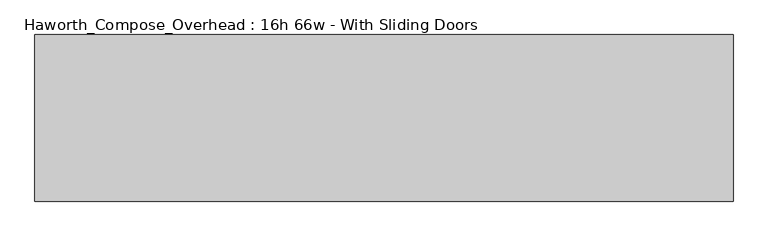
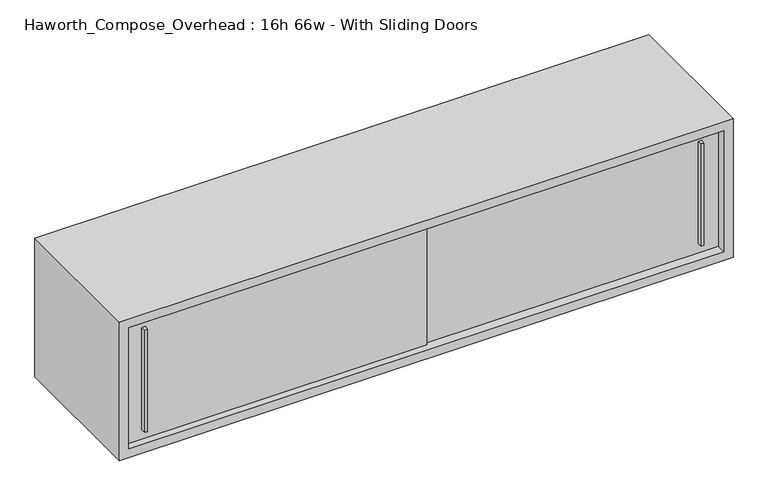
"""IFC4 building model written with IfcOpenShell, lengths in millimetres: furniture geometry, Haworth_Compose_Overhead : 16h 66w - With Sliding Doors."""

from ifc_helpers import new_model, si_unit, frame, origin, place, context, project, spatial, polyline, outline, extrude, source, transform, mapped, element, save


def haworth_compose_overhead_16h_66w_with_sliding_doors_dcb5eb14(model_context):
    return source(origin(), model_context, "Body", "SweptSolid", [
        extrude(outline(polyline([(930.2750004, -387.3499879), (923.9249996, -387.3499879), (922.3375011, -374.65), (931.8624989, -374.65), (930.2750004, -387.3499879)])), frame((0.0, 0.0, 1322.3875), z_axis=(0.0, 0.0, 1.0), x_axis=(1.0, 0.0, 0.0)), (0.0, 0.0, 1.0), 295.275),
        extrude(outline(polyline([(-593.7249996, -393.6999879), (-600.0750004, -393.6999879), (-601.6624989, -381.0), (-592.1375011, -381.0), (-593.7249996, -393.6999879)])), frame((0.0, 0.0, 1322.3875), z_axis=(0.0, 0.0, 1.0), x_axis=(1.0, 0.0, 0.0)), (0.0, 0.0, 1.0), 295.275),
        extrude(outline(polyline([(-647.7, -374.65), (177.8, -374.65), (177.8, -381.0), (-647.7, -381.0), (-647.7, -374.65)])), frame((0.0, 0.0, 1295.4), z_axis=(0.0, 0.0, 1.0), x_axis=(1.0, 0.0, 0.0)), (0.0, 0.0, 1.0), 349.25),
        extrude(outline(polyline([(152.4, -368.3), (977.9, -368.3), (977.9, -374.65), (152.4, -374.65), (152.4, -368.3)])), frame((0.0, 0.0, 1295.4), z_axis=(0.0, 0.0, 1.0), x_axis=(1.0, 0.0, 0.0)), (0.0, 0.0, 1.0), 349.25),
        extrude(outline(polyline([(977.9, -6.35), (-647.7, -6.35), (-647.7, 0.0), (977.9, 0.0), (977.9, -6.35)])), frame((0.0, 0.0, 1295.4), z_axis=(0.0, 0.0, 1.0), x_axis=(1.0, 0.0, 0.0)), (0.0, 0.0, 1.0), 349.25),
        extrude(outline(polyline([(1270.0, 1003.3), (1670.05, 1003.3), (1670.05, -673.1), (1270.0, -673.1), (1270.0, 1003.3)]), holes=[polyline([(1644.65, 977.9), (1295.4, 977.9), (1295.4, -647.7), (1644.65, -647.7), (1644.65, 977.9)])]), frame((0.0, -400.05, 0.0), z_axis=(0.0, 1.0, 0.0), x_axis=(0.0, 0.0, 1.0)), (0.0, 0.0, 1.0), 400.05),
    ])


if __name__ == "__main__":
    model = new_model("IFC4")
    model_context = context("Model", 3, world=origin())
    ifc_project = project(units=[si_unit("LENGTHUNIT", "METRE", prefix="MILLI")], contexts=[model_context])
    site = spatial("IfcSite", under=ifc_project)
    building = spatial("IfcBuilding", under=site)
    placement = place(None, origin())
    haworth_compose_overhead_16h_66w_with_sliding_doors_shape = haworth_compose_overhead_16h_66w_with_sliding_doors_dcb5eb14(model_context)
    element("IfcFurniture", 1, ObjectType="Haworth_Compose_Overhead : 16h 66w - With Sliding Doors", at=placement, inside=building, context=model_context, shape_type="MappedRepresentation", body=[
        mapped(haworth_compose_overhead_16h_66w_with_sliding_doors_shape, transform((0.0, 0.0, 0.0), x_axis=(1.0, 0.0, 0.0), y_axis=(0.0, 1.0, 0.0), z_axis=(0.0, 0.0, 1.0))),
    ])
    save(model, "model.ifc")
